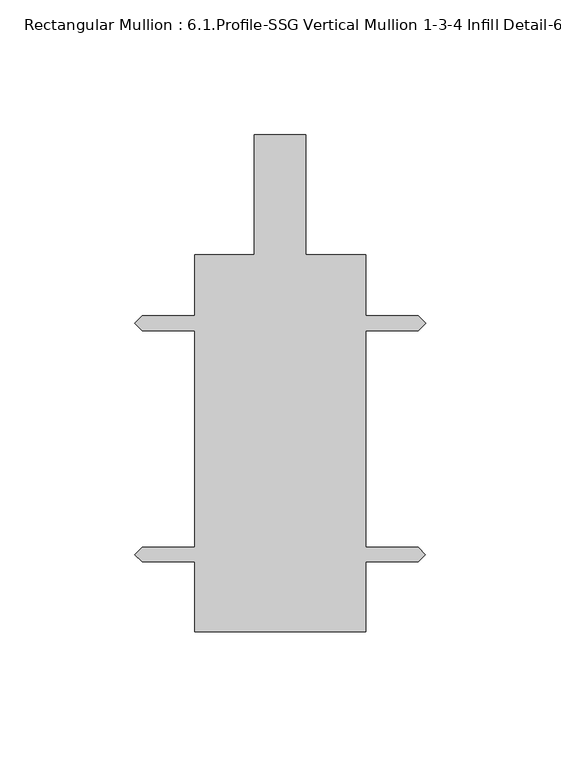
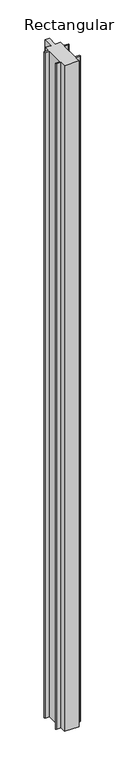
"""IFC4 building model written with IfcOpenShell, lengths in millimetres: member geometry, Rectangular Mullion : 6.1.Profile-SSG Vertical Mullion 1-3-4 Infill Detail-6."""

from ifc_helpers import new_model, si_unit, frame, origin, place, context, project, spatial, polyline, outline, extrude, source, transform, mapped, element, save


def rectangular_mullion_6_1_profile_ssg_vertical_mullion_1_3_4_36d5c9dc(model_context):
    return source(origin(), model_context, "Body", "SweptSolid", [
        extrude(outline(polyline([(-22.1479744, -99.4958639), (-85.6479744, -99.4958639), (-85.6479744, -73.6640614), (-105.0027122, -73.6640614), (-107.7459039, -70.9208697), (-105.0026982, -68.1776639), (-85.6479744, -68.1776639), (-85.6479744, 12.0609336), (-105.0027116, 12.0609336), (-107.7459233, 14.8041453), (-105.0026982, 17.5473311), (-85.6479683, 17.5473311), (-85.6479683, 40.1593793), (-63.4230876, 40.1593793), (-63.4230876, 84.6093793), (-44.3728612, 84.6093793), (-44.3728612, 40.1593793), (-22.1479744, 40.1593793), (-22.1479744, 17.5473311), (-2.7920614, 17.5473311), (0.0, 14.7552696), (-2.694336, 12.0609336), (-22.1479744, 12.0609336), (-22.1479744, -68.1776639), (-2.7991011, -68.1776639), (-0.0529771, -70.9237879), (-2.7932506, -73.6640614), (-22.1479744, -73.6640614), (-22.1479744, -99.4958639)])), frame((0.0, 0.0, -3048.0), z_axis=(0.0, 0.0, 1.0), x_axis=(1.0, 0.0, 0.0)), (0.0, 0.0, 1.0), 3048.0),
    ])


if __name__ == "__main__":
    model = new_model("IFC4")
    model_context = context("Model", 3, world=origin())
    ifc_project = project(units=[si_unit("LENGTHUNIT", "METRE", prefix="MILLI")], contexts=[model_context])
    site = spatial("IfcSite", under=ifc_project)
    building = spatial("IfcBuilding", under=site)
    placement = place(None, origin())
    rectangular_mullion_6_1_profile_ssg_vertical_mullion_1_3_4_shape = rectangular_mullion_6_1_profile_ssg_vertical_mullion_1_3_4_36d5c9dc(model_context)
    element("IfcMember", 1, ObjectType="Rectangular Mullion : 6.1.Profile-SSG Vertical Mullion 1-3-4 Infill Detail-6", at=placement, inside=building, context=model_context, shape_type="MappedRepresentation", body=[
        mapped(rectangular_mullion_6_1_profile_ssg_vertical_mullion_1_3_4_shape, transform((0.0, 0.0, 0.0), x_axis=(1.0, 0.0, 0.0), y_axis=(0.0, 1.0, 0.0), z_axis=(0.0, 0.0, 1.0))),
    ])
    save(model, "model.ifc")
